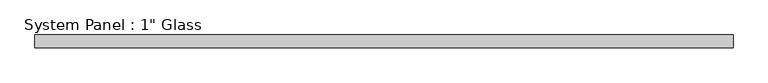
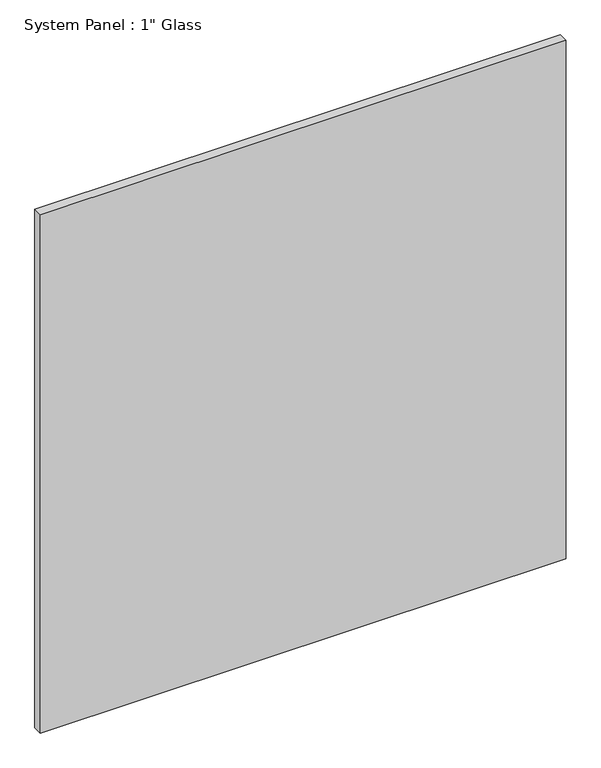
"""IFC4 building model written with IfcOpenShell, lengths in millimetres: plate geometry."""

from ifc_helpers import new_model, si_unit, origin, origin_with_axes, place, context, project, spatial, polyline, outline, extrude, source, transform, mapped, element, save


def plate_b605fc90(model_context):
    return source(origin(), model_context, "Body", "SweptSolid", [
        extrude(outline(polyline([(699.5095691, -12.7), (-699.5095691, -12.7), (-699.5095691, 12.7), (699.5095691, 12.7), (699.5095691, -12.7)])), origin_with_axes(), (0.0, 0.0, 1.0), 1458.4861731),
    ])


if __name__ == "__main__":
    model = new_model("IFC4")
    model_context = context("Model", 3, world=origin())
    ifc_project = project(units=[si_unit("LENGTHUNIT", "METRE", prefix="MILLI")], contexts=[model_context])
    site = spatial("IfcSite", under=ifc_project)
    building = spatial("IfcBuilding", under=site)
    placement = place(None, origin())
    plate_shape = plate_b605fc90(model_context)
    element("IfcPlate", 1, ObjectType="System Panel : 1\" Glass", at=placement, inside=building, context=model_context, shape_type="MappedRepresentation", body=[
        mapped(plate_shape, transform((0.0, 0.0, 0.0), x_axis=(1.0, 0.0, 0.0), y_axis=(0.0, 1.0, 0.0), z_axis=(0.0, 0.0, 1.0))),
    ])
    save(model, "model.ifc")
